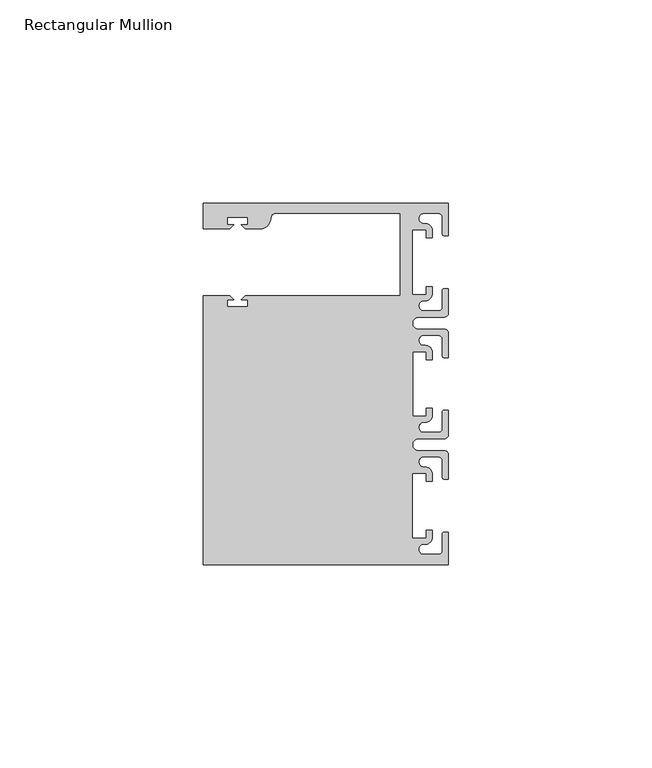
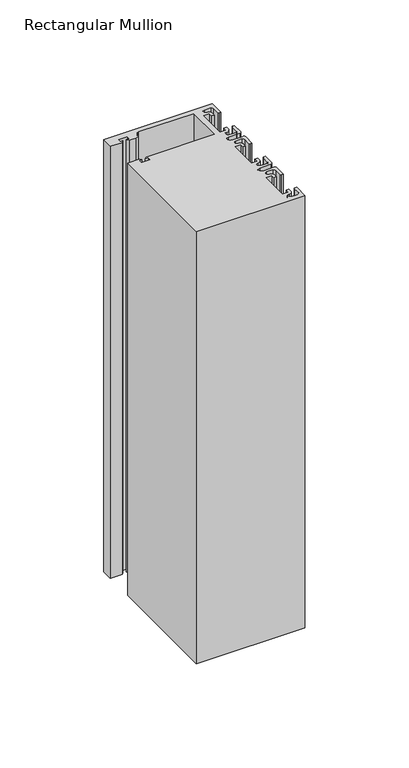
"""IFC4 building model written with IfcOpenShell, lengths in millimetres: member geometry, Rectangular Mullion."""

from ifc_helpers import new_model, si_unit, point, frame, frame_2d, origin, place, context, project, spatial, polyline, circle_curve, trimmed, segment, composite_curve, outline, extrude, source, transform, mapped, element, save


def rectangular_mullion_2166ff18(model_context):
    return source(origin(), model_context, "Body", "SweptSolid", [
        extrude(outline(composite_curve([segment(polyline([(0.0, 44.45), (0.0, 36.4500318), (-1.0, 36.4500318)]), True, "CONTINUOUS"), segment(trimmed(circle_curve(frame_2d((-1.0, 36.9500318)), 0.5), [point((-1.0, 36.4500318))], [point((-1.5, 36.9500318))], False, "CARTESIAN"), True, "CONTINUOUS"), segment(polyline([(-1.5, 36.9500318), (-1.5, 40.95)]), True, "CONTINUOUS"), segment(trimmed(circle_curve(frame_2d((-2.5, 40.95)), 1.0), [point((-1.5, 40.95))], [point((-2.5, 41.95))], True, "CARTESIAN"), True, "CONTINUOUS"), segment(polyline([(-2.5, 41.95), (-6.0499986, 41.95)]), True, "CONTINUOUS"), segment(trimmed(circle_curve(frame_2d((-6.0499986, 40.6999986)), 1.2500014), [point((-6.0499986, 41.95))], [point((-5.9027291, 39.4587029))], True, "CARTESIAN"), True, "CONTINUOUS"), segment(trimmed(circle_curve(frame_2d((-5.7186029, 37.7499972)), 1.7185975), [point((-5.9027291, 39.4587029))], [point((-4.0000054, 37.7499972))], False, "CARTESIAN"), True, "CONTINUOUS"), segment(polyline([(-4.0000054, 37.7499972), (-4.0000054, 35.9500318), (-5.5, 35.9500318), (-5.5, 37.9499972), (-8.8585786, 37.9499972), (-8.8585786, 21.9499956), (-5.5, 21.9499956), (-5.5, 23.9499611), (-3.9999946, 23.9499611), (-3.9999946, 22.0272972)]), True, "CONTINUOUS"), segment(trimmed(circle_curve(frame_2d((-5.7543344, 22.1865598)), 1.761554), [point((-3.9999946, 22.0272972))], [point((-6.0499986, 20.4499956))], False, "CARTESIAN"), True, "CONTINUOUS"), segment(trimmed(circle_curve(frame_2d((-6.0499986, 19.1999942)), 1.2500014), [point((-6.0499986, 20.4499956))], [point((-6.0499986, 17.9499929))], True, "CARTESIAN"), True, "CONTINUOUS"), segment(polyline([(-6.0499986, 17.9499929), (-2.5, 17.9499929)]), True, "CONTINUOUS"), segment(trimmed(circle_curve(frame_2d((-2.5, 18.9499929)), 1.0), [point((-2.5, 17.9499929))], [point((-1.5, 18.9499929))], True, "CARTESIAN"), True, "CONTINUOUS"), segment(polyline([(-1.5, 18.9499929), (-1.5, 22.9499611)]), True, "CONTINUOUS"), segment(trimmed(circle_curve(frame_2d((-1.0, 22.9499611)), 0.5), [point((-1.5, 22.9499611))], [point((-1.0, 23.4499611))], False, "CARTESIAN"), True, "CONTINUOUS"), segment(polyline([(-1.0, 23.4499611), (0.0, 23.4499611), (0.0, 17.4499929)]), True, "CONTINUOUS"), segment(trimmed(circle_curve(frame_2d((-1.0, 17.4499929)), 1.0), [point((0.0, 17.4499929))], [point((-1.0, 16.4499929))], False, "CARTESIAN"), True, "CONTINUOUS"), segment(polyline([(-1.0, 16.4499929), (-7.3, 16.4499929)]), True, "CONTINUOUS"), segment(trimmed(circle_curve(frame_2d((-7.3, 14.9499929)), 1.5), [point((-7.3, 16.4499929))], [point((-7.3046244, 13.45))], True, "CARTESIAN"), True, "CONTINUOUS"), segment(polyline([(-7.3046244, 13.45), (-1.0, 13.45)]), True, "CONTINUOUS"), segment(trimmed(circle_curve(frame_2d((-1.0, 12.45)), 1.0), [point((-1.0, 13.45))], [point((0.0, 12.45))], False, "CARTESIAN"), True, "CONTINUOUS"), segment(polyline([(0.0, 12.45), (0.0, 6.4500354), (-0.9999964, 6.4500354)]), True, "CONTINUOUS"), segment(trimmed(circle_curve(frame_2d((-0.9999964, 6.9500354)), 0.5), [point((-0.9999964, 6.4500354))], [point((-1.4999964, 6.9500354))], False, "CARTESIAN"), True, "CONTINUOUS"), segment(polyline([(-1.4999964, 6.9500354), (-1.4999964, 10.95)]), True, "CONTINUOUS"), segment(trimmed(circle_curve(frame_2d((-2.4999964, 10.95)), 1.0), [point((-1.4999964, 10.95))], [point((-2.4999964, 11.95))], True, "CARTESIAN"), True, "CONTINUOUS"), segment(polyline([(-2.4999964, 11.95), (-6.0499986, 11.95)]), True, "CONTINUOUS"), segment(trimmed(circle_curve(frame_2d((-6.0499986, 10.6999986)), 1.2500014), [point((-6.0499986, 11.95))], [point((-6.0499986, 9.4499972))], True, "CARTESIAN"), True, "CONTINUOUS"), segment(trimmed(circle_curve(frame_2d((-5.7298824, 7.7499972)), 1.729877), [point((-6.0499986, 9.4499972))], [point((-4.0000054, 7.7499972))], False, "CARTESIAN"), True, "CONTINUOUS"), segment(polyline([(-4.0000054, 7.7499972), (-4.0000054, 5.9500318), (-5.5, 5.9500318), (-5.5, 7.9499972), (-8.8, 7.9499972), (-8.8, -7.9499972), (-5.5, -7.9499972), (-5.5, -5.9500318), (-4.0000054, -5.9500318), (-4.0000054, -7.7499972)]), True, "CONTINUOUS"), segment(trimmed(circle_curve(frame_2d((-5.7298824, -7.7499972)), 1.729877), [point((-4.0000054, -7.7499972))], [point((-6.0499986, -9.4499972))], False, "CARTESIAN"), True, "CONTINUOUS"), segment(trimmed(circle_curve(frame_2d((-6.0499986, -10.6999986)), 1.2500014), [point((-6.0499986, -9.4499972))], [point((-6.0499986, -11.95))], True, "CARTESIAN"), True, "CONTINUOUS"), segment(polyline([(-6.0499986, -11.95), (-2.4999964, -11.95)]), True, "CONTINUOUS"), segment(trimmed(circle_curve(frame_2d((-2.4999964, -10.95)), 1.0), [point((-2.4999964, -11.95))], [point((-1.4999964, -10.95))], True, "CARTESIAN"), True, "CONTINUOUS"), segment(polyline([(-1.4999964, -10.95), (-1.4999964, -6.9500354)]), True, "CONTINUOUS"), segment(trimmed(circle_curve(frame_2d((-0.9999964, -6.9500354)), 0.5), [point((-1.4999964, -6.9500354))], [point((-0.9999964, -6.4500354))], False, "CARTESIAN"), True, "CONTINUOUS"), segment(polyline([(-0.9999964, -6.4500354), (0.0, -6.4500354), (0.0, -12.45)]), True, "CONTINUOUS"), segment(trimmed(circle_curve(frame_2d((-1.0, -12.45)), 1.0), [point((0.0, -12.45))], [point((-1.0, -13.45))], False, "CARTESIAN"), True, "CONTINUOUS"), segment(polyline([(-1.0, -13.45), (-7.3046244, -13.45)]), True, "CONTINUOUS"), segment(trimmed(circle_curve(frame_2d((-7.3, -14.9499929)), 1.5), [point((-7.3046244, -13.45))], [point((-7.3, -16.4499929))], True, "CARTESIAN"), True, "CONTINUOUS"), segment(polyline([(-7.3, -16.4499929), (-1.0, -16.4499929)]), True, "CONTINUOUS"), segment(trimmed(circle_curve(frame_2d((-1.0, -17.4499929)), 1.0), [point((-1.0, -16.4499929))], [point((0.0, -17.4499929))], False, "CARTESIAN"), True, "CONTINUOUS"), segment(polyline([(0.0, -17.4499929), (0.0, -23.4499611), (-1.0, -23.4499611)]), True, "CONTINUOUS"), segment(trimmed(circle_curve(frame_2d((-1.0, -22.9499611)), 0.5), [point((-1.0, -23.4499611))], [point((-1.5, -22.9499611))], False, "CARTESIAN"), True, "CONTINUOUS"), segment(polyline([(-1.5, -22.9499611), (-1.5, -18.9499929)]), True, "CONTINUOUS"), segment(trimmed(circle_curve(frame_2d((-2.5, -18.9499929)), 1.0), [point((-1.5, -18.9499929))], [point((-2.5, -17.9499929))], True, "CARTESIAN"), True, "CONTINUOUS"), segment(polyline([(-2.5, -17.9499929), (-6.0499986, -17.9499929)]), True, "CONTINUOUS"), segment(trimmed(circle_curve(frame_2d((-6.0499986, -19.1999942)), 1.2500014), [point((-6.0499986, -17.9499929))], [point((-6.0499986, -20.4499956))], True, "CARTESIAN"), True, "CONTINUOUS"), segment(trimmed(circle_curve(frame_2d((-5.7543344, -22.1865598)), 1.761554), [point((-6.0499986, -20.4499956))], [point((-3.9999946, -22.0272972))], False, "CARTESIAN"), True, "CONTINUOUS"), segment(polyline([(-3.9999946, -22.0272972), (-3.9999946, -23.9499611), (-5.5, -23.9499611), (-5.5, -21.9499956), (-8.8585786, -21.9499956), (-8.8585786, -37.9499972), (-5.5, -37.9499972), (-5.5, -35.9500318), (-4.0000054, -35.9500318), (-4.0000054, -37.7499972)]), True, "CONTINUOUS"), segment(trimmed(circle_curve(frame_2d((-5.7186029, -37.7499972)), 1.7185975), [point((-4.0000054, -37.7499972))], [point((-5.9027291, -39.4587029))], False, "CARTESIAN"), True, "CONTINUOUS"), segment(trimmed(circle_curve(frame_2d((-6.0499986, -40.6999986)), 1.2500014), [point((-5.9027291, -39.4587029))], [point((-6.0499986, -41.95))], True, "CARTESIAN"), True, "CONTINUOUS"), segment(polyline([(-6.0499986, -41.95), (-2.5, -41.95)]), True, "CONTINUOUS"), segment(trimmed(circle_curve(frame_2d((-2.5, -40.95)), 1.0), [point((-2.5, -41.95))], [point((-1.5, -40.95))], True, "CARTESIAN"), True, "CONTINUOUS"), segment(polyline([(-1.5, -40.95), (-1.5, -36.9500318)]), True, "CONTINUOUS"), segment(trimmed(circle_curve(frame_2d((-1.0, -36.9500318)), 0.5), [point((-1.5, -36.9500318))], [point((-1.0, -36.4500318))], False, "CARTESIAN"), True, "CONTINUOUS"), segment(polyline([(-1.0, -36.4500318), (0.0, -36.4500318), (0.0, -44.45), (-60.325, -44.45), (-60.325, 21.749999), (-53.8507562, 21.749999), (-52.8507405, 20.7499834), (-54.4250134, 20.7499834), (-54.4250134, 18.949936), (-49.4250186, 18.949936), (-49.4250186, 20.7499834), (-50.999256, 20.7499834), (-49.9992434, 21.7499959), (-11.8, 21.7499959), (-11.8, 41.95), (-42.6099329, 41.95)]), True, "CONTINUOUS"), segment(trimmed(circle_curve(frame_2d((-42.6099329, 40.9500001)), 1.0), [point((-42.6099329, 41.95))], [point((-43.5758588, 41.2088192))], True, "CARTESIAN"), True, "CONTINUOUS"), segment(polyline([(-43.5758588, 41.2088192), (-43.8989707, 40.002949)]), True, "CONTINUOUS"), segment(trimmed(circle_curve(frame_2d((-46.3137853, 40.6499966)), 2.5), [point((-43.8989707, 40.002949))], [point((-46.3137853, 38.1499966))], False, "CARTESIAN"), True, "CONTINUOUS"), segment(polyline([(-46.3137853, 38.1499966), (-49.9992503, 38.1499966), (-50.999256, 39.1500023), (-49.4249831, 39.1500023), (-49.4249831, 40.9498819), (-54.4249778, 40.9498819), (-54.4249778, 39.1500023), (-52.8507405, 39.1500023), (-53.8507531, 38.1499897), (-60.3249977, 38.1499897), (-60.3249977, 44.45), (0.0, 44.45)]), True, "CONTINUOUS")], self_intersect=False)), frame((0.0, 0.0, -254.0), z_axis=(0.0, 0.0, 1.0), x_axis=(1.0, 0.0, 0.0)), (0.0, 0.0, 1.0), 254.0),
    ])


if __name__ == "__main__":
    model = new_model("IFC4")
    model_context = context("Model", 3, world=origin())
    ifc_project = project(units=[si_unit("LENGTHUNIT", "METRE", prefix="MILLI")], contexts=[model_context])
    site = spatial("IfcSite", under=ifc_project)
    building = spatial("IfcBuilding", under=site)
    placement = place(None, origin())
    rectangular_mullion_shape = rectangular_mullion_2166ff18(model_context)
    element("IfcMember", 1, ObjectType="Rectangular Mullion", at=placement, inside=building, context=model_context, shape_type="MappedRepresentation", body=[
        mapped(rectangular_mullion_shape, transform((0.0, 0.0, 0.0), x_axis=(1.0, 0.0, 0.0), y_axis=(0.0, 1.0, 0.0), z_axis=(0.0, 0.0, 1.0))),
    ])
    save(model, "model.ifc")
